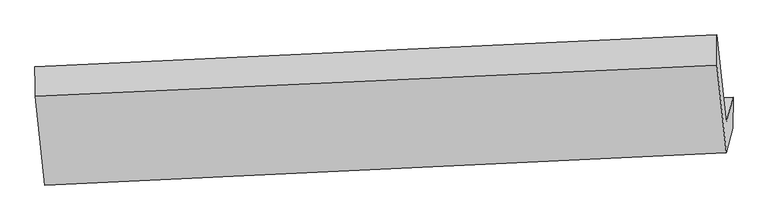
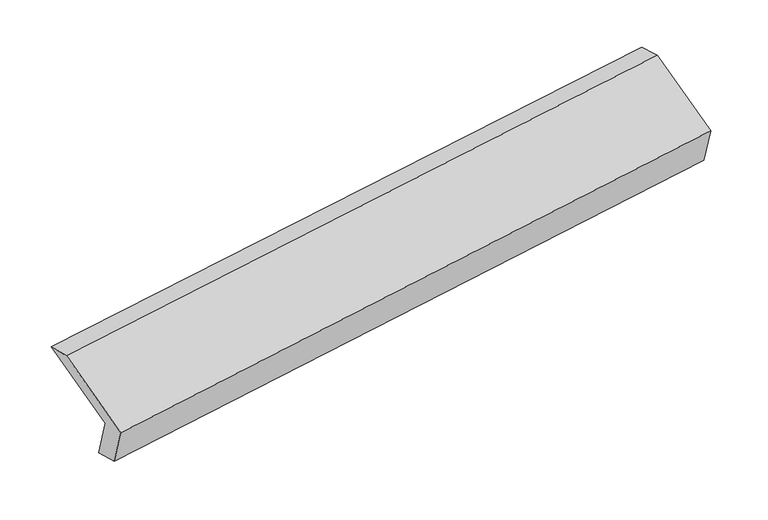
"""IFC4 building model written with IfcOpenShell, lengths in millimetres: proxy geometry."""

from ifc_helpers import new_model, si_unit, frame, origin, place, context, project, spatial, source, transform, mapped, element, save
from ifc_brep_helpers import plane_surface, spline_surface, advanced_brep


def generic_models_69cd0448(model_context):
    return source(origin(), model_context, "Body", "AdvancedBrep", [
        advanced_brep(
        [(-5165.8398438, -1608.2886773, 1229.28011), (-5210.8242293, -1777.2752973, 1587.8899267), (-498.1407894, -1546.7487658, 2265.4329175), (-452.028905, -1373.5266271, 1897.8348236), (-5165.1700617, -1814.4701993, 1283.4883961), (-453.6141205, -1588.1791865, 1970.0196642), (-5209.0269485, -1979.2213006, 1633.1099355), (-498.5985061, -1757.1658066, 2328.6294808), (-5275.1135301, -1365.5356029, 1914.005223), (-563.7105668, -1152.5295939, 2605.3826517), (-5276.9108109, -1163.5895996, 1868.7852141), (-563.25285, -942.1125532, 2542.1860884)],
        [
            (0, 1),
            (1, 2),
            (2, 3),
            (3, 0),
            (4, 0),
            (3, 5),
            (5, 4),
            (6, 4),
            (5, 7),
            (7, 6),
            (8, 6),
            (7, 9),
            (9, 8),
            (10, 8),
            (9, 11),
            (11, 10),
            (1, 10),
            (11, 2),
        ],
        [
            plane_surface(frame((-5188.3320366, -1692.7819873, 1408.5850183), z_axis=(-0.10367357155104656, 0.9046732289429767, 0.4133015114849435), x_axis=(-0.11274987746796686, -0.4235518716212508, 0.898827723858746))),
            spline_surface(1, 1, [[(-5165.1700617, -1814.4701993, 1283.4883961), (-453.6141205, -1588.1791865, 1970.0196642)], [(-5165.8398438, -1608.2886773, 1229.28011), (-452.028905, -1373.5266271, 1897.8348236)]], [2, 2], [2, 2], [0.0, 1.0], [0.0, 1.0]),
            plane_surface(frame((-5187.0985051, -1896.84575, 1458.2991658), z_axis=(0.1036735715510213, -0.9046732289430517, -0.4133015114847853), x_axis=(0.11274987746789843, 0.4235518716210867, -0.8988277238588318))),
            plane_surface(frame((-5242.0702393, -1672.3784518, 1773.5575792), z_axis=(-0.11274987746797378, -0.42355187162122354, 0.8988277238587581), x_axis=(0.09745208873229483, -0.9049485031356683, -0.41421165733743726))),
            spline_surface(1, 1, [[(-5276.9108109, -1163.5895996, 1868.7852141), (-563.25285, -942.1125532, 2542.1860884)], [(-5275.1135301, -1365.5356029, 1914.005223), (-563.7105668, -1152.5295939, 2605.3826517)]], [2, 2], [2, 2], [0.0, 1.0], [0.0, 1.0]),
            plane_surface(frame((-5243.8675201, -1470.4324485, 1728.3375704), z_axis=(0.10859989738890641, 0.4233765738879073, -0.8994211132556633), x_axis=(-0.09745208873226935, 0.9049485031356709, 0.41421165733743753))),
            plane_surface(frame((-504.8909563, -1393.3770889, 2268.2476044), z_axis=(0.9888329259954334, 0.04089032548996629, 0.1433088474192524), x_axis=(0.09745208873229483, -0.9049485031356683, -0.41421165733743726))),
            plane_surface(frame((-5217.1475707, -1618.0634462, 1586.0931342), z_axis=(-0.9888329259954344, -0.04089032548989107, -0.14330884741926653), x_axis=(0.1127498774679294, 0.4235518716212092, -0.8988277238587702))),
        ],
        [
            (0, [[1, 2, 3, 4]]),
            (1, [[5, -4, 6, 7]]),
            (2, [[8, -7, 9, 10]]),
            (3, [[11, -10, 12, 13]]),
            (4, [[14, -13, 15, 16]]),
            (5, [[17, -16, 18, -2]]),
            (6, [[-12, -9, -6, -3, -18, -15]]),
            (7, [[-1, -5, -8, -11, -14, -17]]),
        ],
    ),
    ])


if __name__ == "__main__":
    model = new_model("IFC4")
    model_context = context("Model", 3, world=origin())
    ifc_project = project(units=[si_unit("LENGTHUNIT", "METRE", prefix="MILLI")], contexts=[model_context])
    site = spatial("IfcSite", under=ifc_project)
    building = spatial("IfcBuilding", under=site)
    placement = place(None, origin())
    generic_models_shape = generic_models_69cd0448(model_context)
    element("IfcBuildingElementProxy", 1, Name="Generic Models", at=placement, inside=building, context=model_context, shape_type="MappedRepresentation", body=[
        mapped(generic_models_shape, transform((0.0, 0.0, 0.0), x_axis=(1.0, 0.0, 0.0), y_axis=(0.0, 1.0, 0.0), z_axis=(0.0, 0.0, 1.0))),
    ])
    save(model, "model.ifc")
